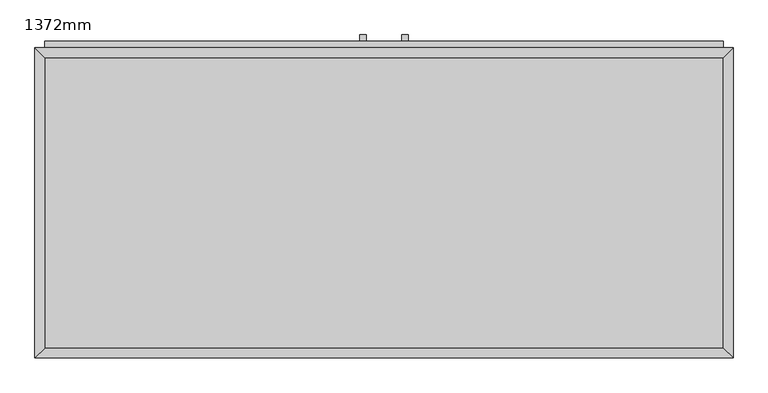
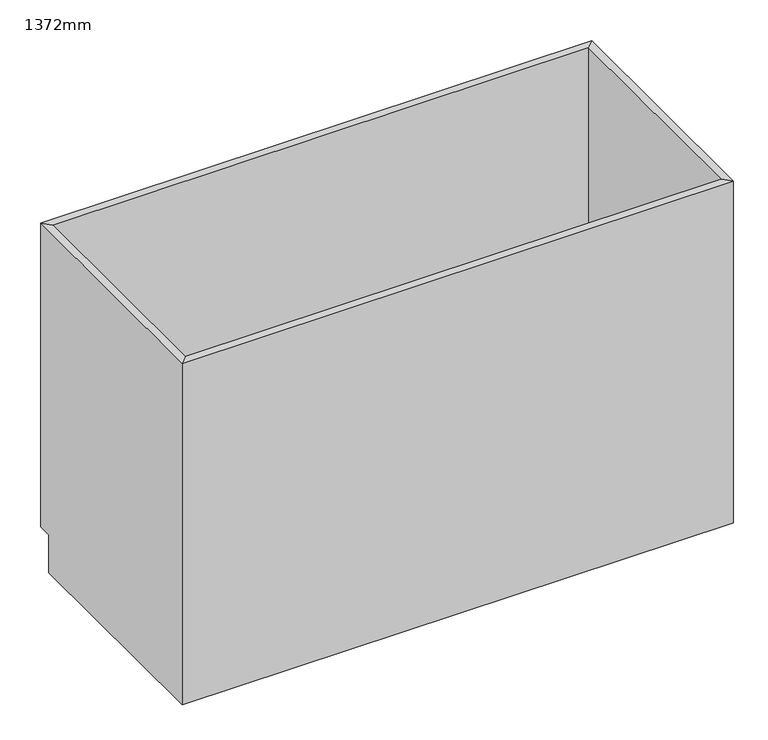
"""IFC4 building model written with IfcOpenShell, lengths in millimetres: proxy geometry, 1372mm."""

from ifc_helpers import new_model, si_unit, frame, origin, place, context, project, spatial, polyline, outline, extrude, faceted_brep, source, transform, mapped, element, save


def proxy_1372mm_39f1532f(model_context):
    return source(origin(), model_context, "Body", "SolidModel", [
        faceted_brep([(685.6877049, 590.95, 900.0), (-648.2122951, 590.95, 900.0), (-648.2122951, 590.95, 100.0), (685.6877049, 590.95, 100.0), (704.7377049, 610.0, 900.0), (-667.2622951, 610.0, 900.0), (704.7377049, 610.0, 100.0), (-667.2622951, 610.0, 100.0), (-648.2122951, 19.05, 900.0), (-648.2122951, 19.05, 100.0), (-648.2122951, 575.0, 100.0), (-667.2622951, 0.0, 900.0), (-667.2622951, 575.0, 100.0), (-667.2622951, 575.0, 0.0), (-667.2622951, 0.0, 0.0), (685.6877049, 19.05, 900.0), (685.6877049, 19.05, 100.0), (704.7377049, 0.0, 900.0), (704.7377049, 0.0, 0.0), (685.6877049, 575.0, 100.0), (704.7377049, 575.0, 0.0), (704.7377049, 575.0, 100.0)], [[[0, 1, 2, 3]], [[0, 4, 5, 1]], [[4, 6, 7, 5]], [[2, 7, 6, 3]], [[1, 8, 9, 10, 2]], [[5, 11, 8, 1]], [[7, 12, 13, 14, 11, 5]], [[2, 10, 12, 7]], [[8, 15, 16, 9]], [[11, 17, 15, 8]], [[14, 18, 17, 11]], [[3, 19, 16, 15, 0]], [[0, 15, 17, 4]], [[4, 17, 18, 20, 21, 6]], [[6, 21, 19, 3]], [[10, 9, 16, 19]], [[18, 14, 13, 20]], [[13, 12, 10, 19, 21, 20]]]),
        extrude(outline(polyline([(-16.1872951, 635.4), (-16.1872951, 622.7), (-28.8872951, 622.7), (-28.8872951, 635.4), (-16.1872951, 635.4)])), frame((0.0, 0.0, 620.6), z_axis=(0.0, 0.0, 1.0), x_axis=(1.0, 0.0, 0.0)), (0.0, 0.0, 1.0), 101.6),
        extrude(outline(polyline([(66.3627049, 635.4), (66.3627049, 622.7), (53.6627049, 622.7), (53.6627049, 635.4), (66.3627049, 635.4)])), frame((0.0, 0.0, 620.6), z_axis=(0.0, 0.0, 1.0), x_axis=(1.0, 0.0, 0.0)), (0.0, 0.0, 1.0), 101.6),
        extrude(outline(polyline([(685.6877049, 19.05), (-648.2122951, 19.05), (-648.2122951, 590.95), (685.6877049, 590.95), (685.6877049, 19.05)])), frame((0.0, 0.0, 100.0), z_axis=(0.0, 0.0, 1.0), x_axis=(1.0, 0.0, 0.0)), (0.0, 0.0, 1.0), 19.05),
        extrude(outline(polyline([(9.2127049, 622.7), (9.2127049, 610.0), (-648.2122951, 610.0), (-648.2122951, 622.7), (9.2127049, 622.7)])), frame((0.0, 0.0, 119.05), z_axis=(0.0, 0.0, 1.0), x_axis=(1.0, 0.0, 0.0)), (0.0, 0.0, 1.0), 641.25),
        extrude(outline(polyline([(685.6877049, 622.7), (685.6877049, 610.0), (28.2627049, 610.0), (28.2627049, 622.7), (685.6877049, 622.7)])), frame((0.0, 0.0, 119.05), z_axis=(0.0, 0.0, 1.0), x_axis=(1.0, 0.0, 0.0)), (0.0, 0.0, 1.0), 641.25),
        extrude(outline(polyline([(685.6877049, 622.7), (685.6877049, 610.0), (-648.2122951, 610.0), (-648.2122951, 622.7), (685.6877049, 622.7)])), frame((0.0, 0.0, 779.35), z_axis=(0.0, 0.0, 1.0), x_axis=(1.0, 0.0, 0.0)), (0.0, 0.0, 1.0), 101.6),
    ])


if __name__ == "__main__":
    model = new_model("IFC4")
    model_context = context("Model", 3, world=origin())
    ifc_project = project(units=[si_unit("LENGTHUNIT", "METRE", prefix="MILLI")], contexts=[model_context])
    site = spatial("IfcSite", under=ifc_project)
    building = spatial("IfcBuilding", under=site)
    placement = place(None, origin())
    proxy_1372mm_shape = proxy_1372mm_39f1532f(model_context)
    element("IfcBuildingElementProxy", 1, Name="1372mm", ObjectType="1372mm", at=placement, inside=building, context=model_context, shape_type="MappedRepresentation", body=[
        mapped(proxy_1372mm_shape, transform((0.0, 0.0, 0.0), x_axis=(1.0, 0.0, 0.0), y_axis=(0.0, 1.0, 0.0), z_axis=(0.0, 0.0, 1.0))),
    ])
    save(model, "model.ifc")
